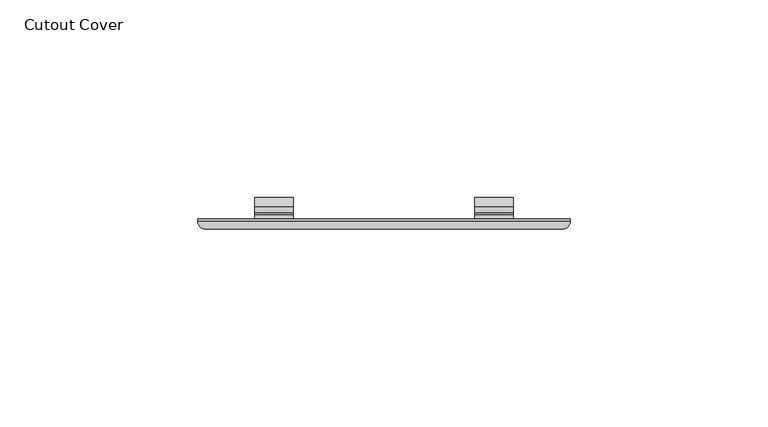
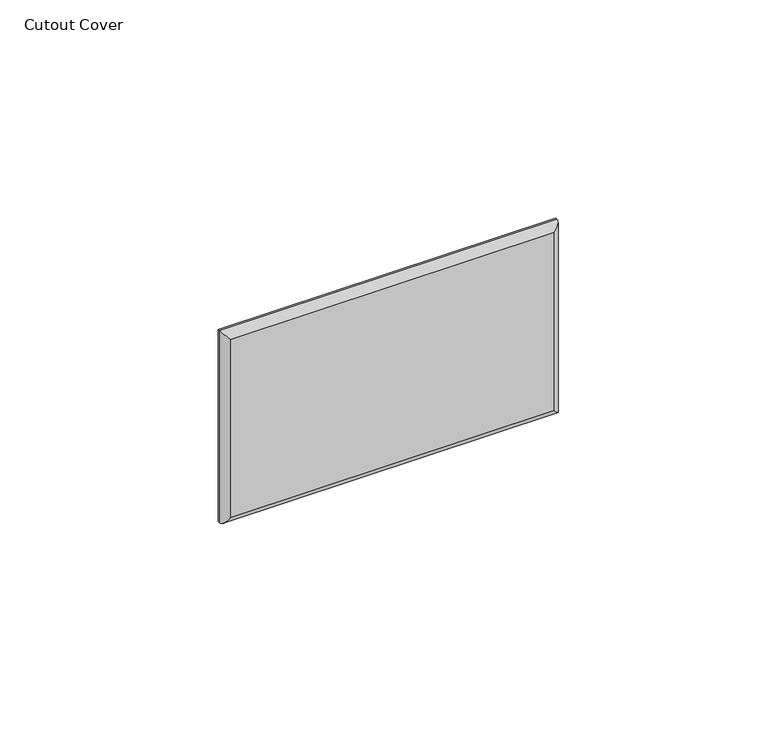
"""IFC4 building model written with IfcOpenShell, lengths in millimetres: furniture geometry, Cutout Cover."""

from ifc_helpers import new_model, si_unit, frame, origin, place, context, project, spatial, polyline, ellipse_curve, outline, extrude, source, transform, mapped, element, save
from ifc_brep_helpers import plane_surface, cylinder_surface, advanced_brep


def cutout_cover_a328c7c4(model_context):
    return source(origin(), model_context, "Body", "SolidModel", [
        extrude(outline(polyline([(6.7571158, 1073.7246933), (4.4310872, 1071.3986647), (2.9964343, 1071.3986647), (2.4001588, 1072.6773816), (1.27, 1072.6773816), (1.27, 1073.7246933), (6.7571158, 1073.7246933)])), frame((-32.6798498, 0.0, 0.0), z_axis=(1.0, 0.0, 0.0), x_axis=(0.0, 1.0, 0.0)), (0.0, 0.0, 1.0), 9.7735925),
        extrude(outline(polyline([(6.7571158, 1073.7246933), (4.4310872, 1071.3986647), (2.9964343, 1071.3986647), (2.4001588, 1072.6773816), (1.27, 1072.6773816), (1.27, 1073.7246933), (6.7571158, 1073.7246933)])), frame((22.9062574, 0.0, 0.0), z_axis=(1.0, 0.0, 0.0), x_axis=(0.0, 1.0, 0.0)), (0.0, 0.0, 1.0), 9.7735925),
        extrude(outline(polyline([(6.7571158, 1116.5173067), (1.27, 1116.5173067), (1.27, 1117.5646184), (2.4001588, 1117.5646184), (2.9964343, 1118.8433353), (4.4310872, 1118.8433353), (6.7571158, 1116.5173067)])), frame((-32.6798498, 0.0, 0.0), z_axis=(1.0, 0.0, 0.0), x_axis=(0.0, 1.0, 0.0)), (0.0, 0.0, 1.0), 9.7735925),
        extrude(outline(polyline([(6.7571158, 1116.5173067), (1.27, 1116.5173067), (1.27, 1117.5646184), (2.4001588, 1117.5646184), (2.9964343, 1118.8433353), (4.4310872, 1118.8433353), (6.7571158, 1116.5173067)])), frame((22.9062574, 0.0, 0.0), z_axis=(1.0, 0.0, 0.0), x_axis=(0.0, 1.0, 0.0)), (0.0, 0.0, 1.0), 9.7735925),
        advanced_brep(
        [(45.0754896, -1.27, 1068.8415104), (45.0754896, -1.27, 1121.4004896), (-45.0754896, -1.27, 1121.4004896), (-45.0754896, -1.27, 1068.8415104), (-47.117, 1.27, 1066.8), (-47.117, 1.27, 1123.442), (47.117, 1.27, 1123.442), (47.117, 1.27, 1066.8), (-44.577, 1.27, 1115.822), (-44.577, 1.27, 1074.42), (44.577, 1.27, 1074.42), (44.577, 1.27, 1115.822), (47.117, 0.7715104, 1066.8), (-47.117, 0.7715104, 1066.8), (47.117, 0.7715104, 1123.442), (-47.117, 0.7715104, 1123.442), (-44.577, 0.7715104, 1115.822), (44.577, 0.7715104, 1115.822), (44.577, 0.7715104, 1074.42), (-44.577, 0.7715104, 1074.42)],
        [
            (0, 1),
            (1, 2),
            (2, 3),
            (3, 0),
            (4, 5),
            (5, 6),
            (6, 7),
            (7, 4),
            (8, 9),
            (9, 10),
            (10, 11),
            (11, 8),
            (7, 12),
            (12, 13),
            (13, 4),
            (6, 14),
            (14, 12),
            (5, 15),
            (15, 14),
            (13, 15),
            (0, 12, ellipse_curve(frame((45.0754896, 0.7715104, 1068.8415104), z_axis=(0.7071067811865486, 0.0, 0.7071067811865466), x_axis=(0.7071067811865466, 0.0, -0.7071067811865483)), 2.8871318, 2.0415104)),
            (14, 1, ellipse_curve(frame((45.0754896, 0.7715104, 1121.4004896), z_axis=(0.7071067811865469, 0.0, -0.707106781186548), x_axis=(-0.7071067811865479, 0.0, -0.7071067811865471)), 2.8871318, 2.0415104)),
            (3, 13, ellipse_curve(frame((-45.0754896, 0.7715104, 1068.8415104), z_axis=(0.7071067811865465, 0.0, -0.7071067811865486), x_axis=(-0.7071067811865486, 0.0, -0.7071067811865465)), 2.8871318, 2.0415104)),
            (2, 15, ellipse_curve(frame((-45.0754896, 0.7715104, 1121.4004896), z_axis=(-0.7071067811865481, 0.0, -0.7071067811865469), x_axis=(-0.7071067811865468, 0.0, 0.7071067811865481)), 2.8871318, 2.0415104)),
            (16, 17),
            (17, 18),
            (18, 19),
            (19, 16),
            (19, 9),
            (8, 16),
            (18, 10),
            (17, 11),
        ],
        [
            plane_surface(frame((-1441.6174949, -1.27, 1066.8), z_axis=(0.0, -1.0, 0.0), x_axis=(1.0, 0.0, 0.0))),
            plane_surface(frame((-1441.6174949, 1.27, 1066.8), z_axis=(0.0, 1.0, 0.0), x_axis=(-1.0, 0.0, 0.0))),
            plane_surface(frame((-47.117, -1.27, 1066.8), z_axis=(0.0, 0.0, -1.0), x_axis=(0.0, 1.0, 0.0))),
            plane_surface(frame((47.117, -1.27, 1066.8), z_axis=(1.0, 0.0, 0.0), x_axis=(0.0, 1.0, 0.0))),
            plane_surface(frame((47.117, -1.27, 1123.442), z_axis=(0.0, 0.0, 1.0), x_axis=(0.0, 1.0, 0.0))),
            plane_surface(frame((-47.117, -1.27, 1123.442), z_axis=(-1.0, 0.0, 0.0), x_axis=(0.0, 1.0, 0.0))),
            cylinder_surface(frame((45.0754896, 0.7715104, 1123.442), z_axis=(0.0, 0.0, -1.0), x_axis=(0.0, -1.0, 0.0)), 2.0415104),
            cylinder_surface(frame((47.117, 0.7715104, 1068.8415104), z_axis=(-1.0, 0.0, 0.0), x_axis=(0.0, -1.0, 0.0)), 2.0415104),
            cylinder_surface(frame((-45.0754896, 0.7715104, 1066.8), z_axis=(0.0, 0.0, 1.0), x_axis=(0.0, -1.0, 0.0)), 2.0415104),
            cylinder_surface(frame((-47.117, 0.7715104, 1121.4004896), z_axis=(1.0, 0.0, 0.0), x_axis=(0.0, -1.0, 0.0)), 2.0415104),
            plane_surface(frame((-44.577, 0.7715104, 1114.8919461), z_axis=(0.0, 1.0, 0.0), x_axis=(0.0, 0.0, -1.0))),
            plane_surface(frame((-44.577, 0.7715104, 1115.822), z_axis=(1.0, 0.0, 0.0), x_axis=(0.0, 1.0, 0.0))),
            plane_surface(frame((-44.577, 0.7715104, 1074.42), z_axis=(0.0, 0.0, 1.0), x_axis=(0.0, 1.0, 0.0))),
            plane_surface(frame((44.577, 0.7715104, 1074.42), z_axis=(-1.0, 0.0, 0.0), x_axis=(0.0, 1.0, 0.0))),
            plane_surface(frame((44.577, 0.7715104, 1115.822), z_axis=(0.0, 0.0, -1.0), x_axis=(0.0, 1.0, 0.0))),
        ],
        [
            (0, [[1, 2, 3, 4]]),
            (1, [[5, 6, 7, 8], [9, 10, 11, 12]]),
            (2, [[-8, 13, 14, 15]]),
            (3, [[-7, 16, 17, -13]]),
            (4, [[-6, 18, 19, -16]]),
            (5, [[-5, -15, 20, -18]]),
            (6, [[21, -17, 22, -1]]),
            (7, [[-21, -4, 23, -14]]),
            (8, [[-23, -3, 24, -20]]),
            (9, [[-22, -19, -24, -2]]),
            (10, [[25, 26, 27, 28]]),
            (11, [[-28, 29, -9, 30]]),
            (12, [[-27, 31, -10, -29]]),
            (13, [[-26, 32, -11, -31]]),
            (14, [[-25, -30, -12, -32]]),
        ],
    ),
    ])


if __name__ == "__main__":
    model = new_model("IFC4")
    model_context = context("Model", 3, world=origin())
    ifc_project = project(units=[si_unit("LENGTHUNIT", "METRE", prefix="MILLI")], contexts=[model_context])
    site = spatial("IfcSite", under=ifc_project)
    building = spatial("IfcBuilding", under=site)
    placement = place(None, origin())
    cutout_cover_shape = cutout_cover_a328c7c4(model_context)
    element("IfcFurniture", 1, ObjectType="Cutout Cover", at=placement, inside=building, context=model_context, shape_type="MappedRepresentation", body=[
        mapped(cutout_cover_shape, transform((0.0, 0.0, 0.0), x_axis=(1.0, 0.0, 0.0), y_axis=(0.0, 1.0, 0.0), z_axis=(0.0, 0.0, 1.0))),
    ])
    save(model, "model.ifc")
